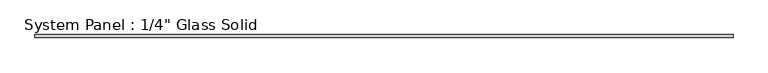
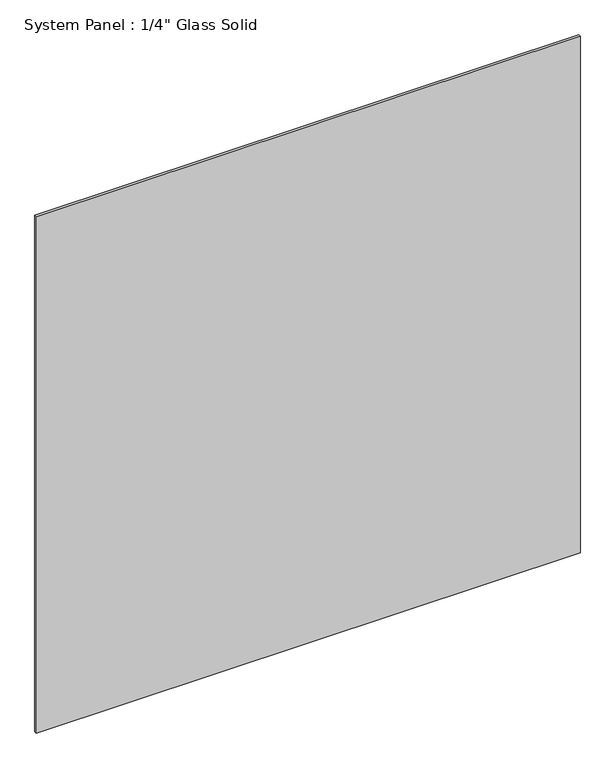
"""IFC4 building model written with IfcOpenShell, lengths in millimetres: plate geometry."""

from ifc_helpers import new_model, si_unit, origin, origin_with_axes, place, context, project, spatial, polyline, outline, extrude, source, transform, mapped, element, save


def plate_4dd3fd68(model_context):
    return source(origin(), model_context, "Body", "SweptSolid", [
        extrude(outline(polyline([(720.7764199, -3.175), (-720.7764199, -3.175), (-720.7764199, 3.175), (720.7764199, 3.175), (720.7764199, -3.175)])), origin_with_axes(), (0.0, 0.0, 1.0), 1446.5317704),
    ])


if __name__ == "__main__":
    model = new_model("IFC4")
    model_context = context("Model", 3, world=origin())
    ifc_project = project(units=[si_unit("LENGTHUNIT", "METRE", prefix="MILLI")], contexts=[model_context])
    site = spatial("IfcSite", under=ifc_project)
    building = spatial("IfcBuilding", under=site)
    placement = place(None, origin())
    plate_shape = plate_4dd3fd68(model_context)
    element("IfcPlate", 1, ObjectType="System Panel : 1/4\" Glass Solid", at=placement, inside=building, context=model_context, shape_type="MappedRepresentation", body=[
        mapped(plate_shape, transform((0.0, 0.0, 0.0), x_axis=(1.0, 0.0, 0.0), y_axis=(0.0, 1.0, 0.0), z_axis=(0.0, 0.0, 1.0))),
    ])
    save(model, "model.ifc")
